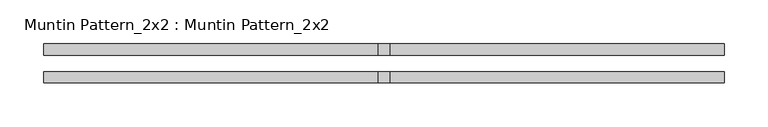
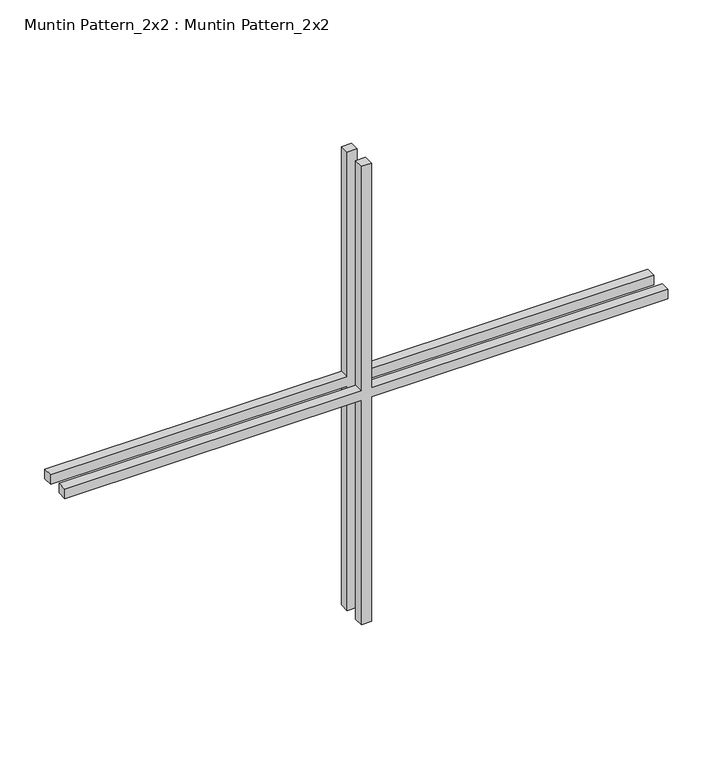
"""IFC4 building model written with IfcOpenShell, lengths in millimetres: proxy geometry, Muntin Pattern_2x2 : Muntin Pattern_2x2."""

from ifc_helpers import new_model, si_unit, frame, origin, place, context, project, spatial, polyline, outline, extrude, source, transform, mapped, element, save


def muntin_pattern_2x2_muntin_pattern_2x2_331c32b0(model_context):
    return source(origin(), model_context, "Body", "SweptSolid", [
        extrude(outline(polyline([(317.4955927, -6.35), (317.4955927, -387.35), (304.7955927, -387.35), (304.7955927, -6.35), (0.0, -6.35), (0.0, 6.35), (304.7955927, 6.35), (304.7955927, 387.35), (317.4955927, 387.35), (317.4955927, 6.35), (622.2911855, 6.35), (622.2911855, -6.35), (317.4955927, -6.35)])), frame((0.0, 9.525, 0.0), z_axis=(0.0, 1.0, 0.0), x_axis=(0.0, 0.0, 1.0)), (0.0, 0.0, 1.0), 12.7),
        extrude(outline(polyline([(317.4955927, -6.35), (317.4955927, -387.35), (304.7955927, -387.35), (304.7955927, -6.35), (0.0, -6.35), (0.0, 6.35), (304.7955927, 6.35), (304.7955927, 387.35), (317.4955927, 387.35), (317.4955927, 6.35), (622.2911855, 6.35), (622.2911855, -6.35), (317.4955927, -6.35)])), frame((0.0, -22.225, 0.0), z_axis=(0.0, 1.0, 0.0), x_axis=(0.0, 0.0, 1.0)), (0.0, 0.0, 1.0), 12.7),
    ])


if __name__ == "__main__":
    model = new_model("IFC4")
    model_context = context("Model", 3, world=origin())
    ifc_project = project(units=[si_unit("LENGTHUNIT", "METRE", prefix="MILLI")], contexts=[model_context])
    site = spatial("IfcSite", under=ifc_project)
    building = spatial("IfcBuilding", under=site)
    placement = place(None, origin())
    muntin_pattern_2x2_muntin_pattern_2x2_shape = muntin_pattern_2x2_muntin_pattern_2x2_331c32b0(model_context)
    element("IfcBuildingElementProxy", 1, Name="Muntin Pattern_2x2 : Muntin Pattern_2x2", ObjectType="Muntin Pattern_2x2 : Muntin Pattern_2x2", at=placement, inside=building, context=model_context, shape_type="MappedRepresentation", body=[
        mapped(muntin_pattern_2x2_muntin_pattern_2x2_shape, transform((0.0, 0.0, 0.0), x_axis=(1.0, 0.0, 0.0), y_axis=(0.0, 1.0, 0.0), z_axis=(0.0, 0.0, 1.0))),
    ])
    save(model, "model.ifc")
